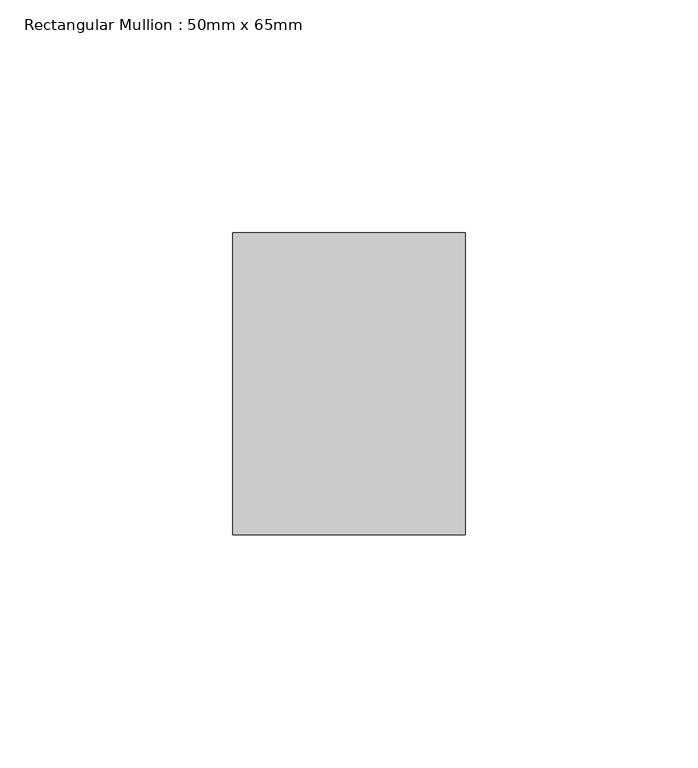
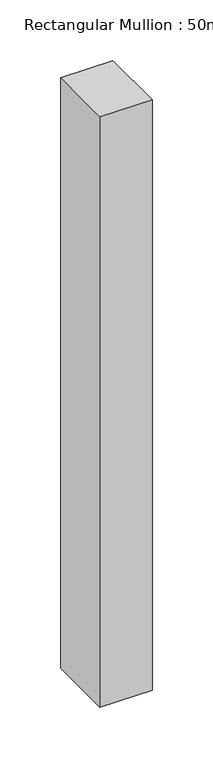
"""IFC4 building model written with IfcOpenShell, lengths in millimetres: member geometry, Rectangular Mullion : 50mm x 65mm."""

from ifc_helpers import new_model, si_unit, frame, origin, place, context, project, spatial, polyline, outline, extrude, source, transform, mapped, element, save


def rectangular_mullion_50mm_x_65mm_7f5cace8(model_context):
    return source(origin(), model_context, "Body", "SweptSolid", [
        extrude(outline(polyline([(25.0, 32.5), (25.0, -32.5), (-25.0, -32.5), (-25.0, 32.5), (25.0, 32.5)])), frame((0.0, 0.0, -595.7759141), z_axis=(0.0, 0.0, 1.0), x_axis=(1.0, 0.0, 0.0)), (0.0, 0.0, 1.0), 595.7759141),
    ])


if __name__ == "__main__":
    model = new_model("IFC4")
    model_context = context("Model", 3, world=origin())
    ifc_project = project(units=[si_unit("LENGTHUNIT", "METRE", prefix="MILLI")], contexts=[model_context])
    site = spatial("IfcSite", under=ifc_project)
    building = spatial("IfcBuilding", under=site)
    placement = place(None, origin())
    rectangular_mullion_50mm_x_65mm_shape = rectangular_mullion_50mm_x_65mm_7f5cace8(model_context)
    element("IfcMember", 1, ObjectType="Rectangular Mullion : 50mm x 65mm", at=placement, inside=building, context=model_context, shape_type="MappedRepresentation", body=[
        mapped(rectangular_mullion_50mm_x_65mm_shape, transform((0.0, 0.0, 0.0), x_axis=(1.0, 0.0, 0.0), y_axis=(0.0, 1.0, 0.0), z_axis=(0.0, 0.0, 1.0))),
    ])
    save(model, "model.ifc")
